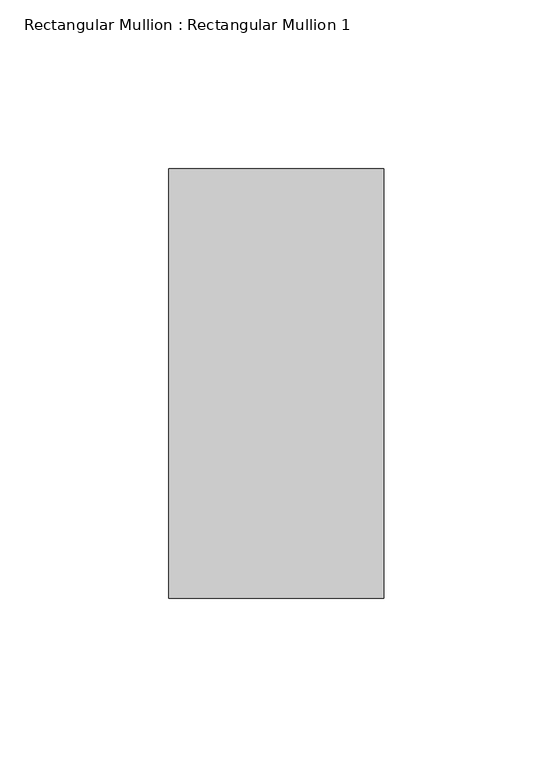
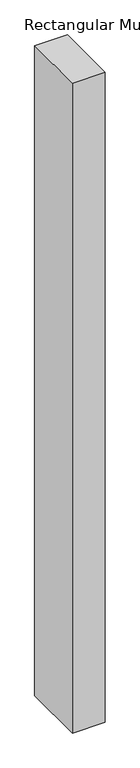
"""IFC4 building model written with IfcOpenShell, lengths in millimetres: member geometry, Rectangular Mullion : Rectangular Mullion 1."""

from ifc_helpers import new_model, si_unit, frame, origin, place, context, project, spatial, polyline, outline, extrude, source, transform, mapped, element, save


def rectangular_mullion_rectangular_mullion_1_340ae938(model_context):
    return source(origin(), model_context, "Body", "SweptSolid", [
        extrude(outline(polyline([(0.0, 63.5), (0.0, -63.5), (-63.5, -63.5), (-63.5, 63.5), (0.0, 63.5)])), frame((0.0, 0.0, -1337.027199), z_axis=(0.0, 0.0, 1.0), x_axis=(1.0, 0.0, 0.0)), (0.0, 0.0, 1.0), 1337.027199),
    ])


if __name__ == "__main__":
    model = new_model("IFC4")
    model_context = context("Model", 3, world=origin())
    ifc_project = project(units=[si_unit("LENGTHUNIT", "METRE", prefix="MILLI")], contexts=[model_context])
    site = spatial("IfcSite", under=ifc_project)
    building = spatial("IfcBuilding", under=site)
    placement = place(None, origin())
    rectangular_mullion_rectangular_mullion_1_shape = rectangular_mullion_rectangular_mullion_1_340ae938(model_context)
    element("IfcMember", 1, ObjectType="Rectangular Mullion : Rectangular Mullion 1", at=placement, inside=building, context=model_context, shape_type="MappedRepresentation", body=[
        mapped(rectangular_mullion_rectangular_mullion_1_shape, transform((0.0, 0.0, 0.0), x_axis=(1.0, 0.0, 0.0), y_axis=(0.0, 1.0, 0.0), z_axis=(0.0, 0.0, 1.0))),
    ])
    save(model, "model.ifc")
